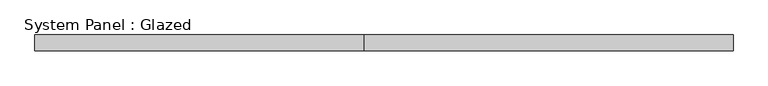
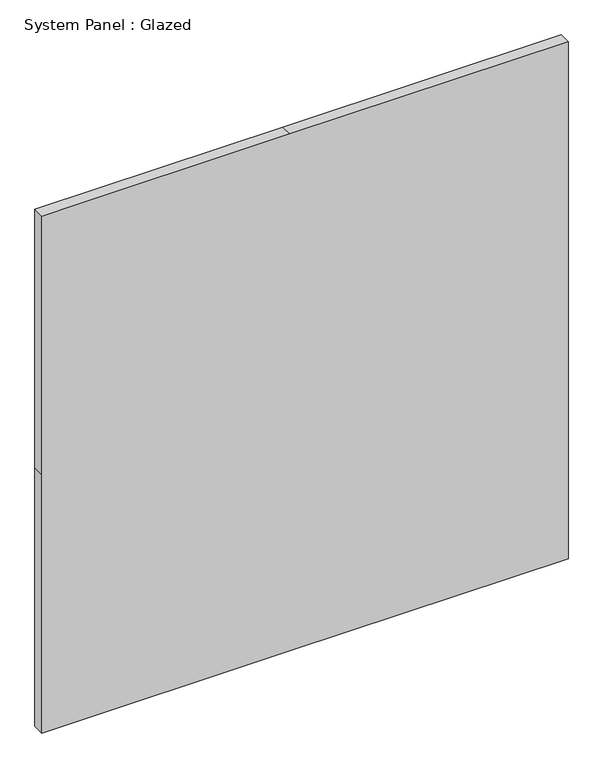
"""IFC4 building model written with IfcOpenShell, lengths in millimetres: plate geometry, System Panel : Glazed."""

from ifc_helpers import new_model, si_unit, frame, origin, place, context, project, spatial, polyline, outline, extrude, source, transform, mapped, element, save


def system_panel_glazed_64aa1761(model_context):
    return source(origin(), model_context, "Body", "SweptSolid", [
        extrude(outline(polyline([(0.0, -556.26), (0.0, -31.75), (0.0, 556.26), (577.85, 556.26), (1155.7, 556.26), (1155.7, -31.75), (1155.7, -556.26), (577.85, -556.26), (0.0, -556.26)])), frame((0.0, 19.05, 0.0), z_axis=(0.0, 1.0, 0.0), x_axis=(0.0, 0.0, 1.0)), (0.0, 0.0, 1.0), 25.4),
    ])


if __name__ == "__main__":
    model = new_model("IFC4")
    model_context = context("Model", 3, world=origin())
    ifc_project = project(units=[si_unit("LENGTHUNIT", "METRE", prefix="MILLI")], contexts=[model_context])
    site = spatial("IfcSite", under=ifc_project)
    building = spatial("IfcBuilding", under=site)
    placement = place(None, origin())
    system_panel_glazed_shape = system_panel_glazed_64aa1761(model_context)
    element("IfcPlate", 1, ObjectType="System Panel : Glazed", at=placement, inside=building, context=model_context, shape_type="MappedRepresentation", body=[
        mapped(system_panel_glazed_shape, transform((0.0, 0.0, 0.0), x_axis=(1.0, 0.0, 0.0), y_axis=(0.0, 1.0, 0.0), z_axis=(0.0, 0.0, 1.0))),
    ])
    save(model, "model.ifc")
